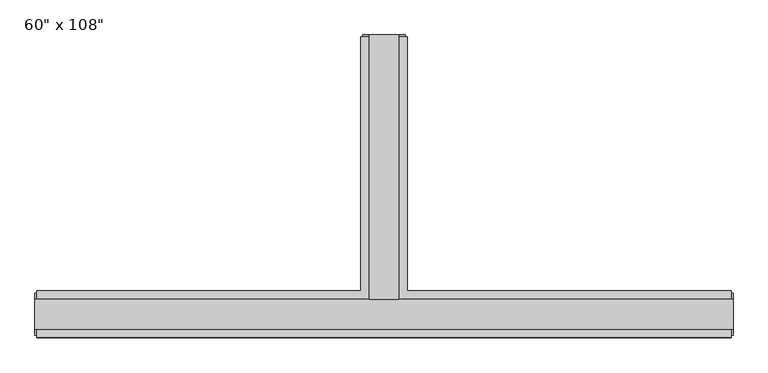
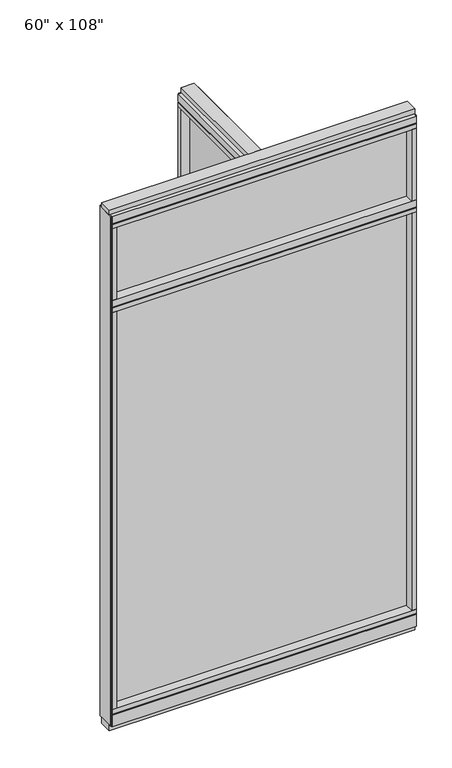
"""IFC4 building model written with IfcOpenShell, lengths in millimetres: furniture geometry."""

from ifc_helpers import new_model, si_unit, frame, origin, origin_with_axes, place, context, project, spatial, polyline, outline, extrude, faceted_brep, source, transform, mapped, element, save


def furniture_3ad097c1(model_context):
    return source(origin(), model_context, "Body", "SolidModel", [
        extrude(outline(polyline([(-65.1165229, 0.5622784), (-65.1165229, 578.9202784), (-54.9565229, 578.9202784), (-54.9565229, 0.5622784), (-65.1165229, 0.5622784)])), frame((0.0, 0.0, 2276.475), z_axis=(0.0, 0.0, 1.0), x_axis=(1.0, 0.0, 0.0)), (0.0, 0.0, 1.0), 355.6),
        extrude(outline(polyline([(675.8014771, -9.5977216), (-795.8745229, -9.5977216), (-795.8745229, 0.5622784), (675.8014771, 0.5622784), (675.8014771, -9.5977216)])), frame((0.0, 0.0, 2276.475), z_axis=(0.0, 0.0, 1.0), x_axis=(1.0, 0.0, 0.0)), (0.0, 0.0, 1.0), 355.6),
        extrude(outline(polyline([(-65.1165229, 0.5622784), (-65.1165229, 578.9202784), (-54.9565229, 578.9202784), (-54.9565229, 0.5622784), (-65.1165229, 0.5622784)])), frame((0.0, 0.0, 120.65), z_axis=(0.0, 0.0, 1.0), x_axis=(1.0, 0.0, 0.0)), (0.0, 0.0, 1.0), 2114.677),
        extrude(outline(polyline([(675.8014771, -9.5977216), (-795.8745229, -9.5977216), (-795.8745229, 0.5622784), (675.8014771, 0.5622784), (675.8014771, -9.5977216)])), frame((0.0, 0.0, 120.523), z_axis=(0.0, 0.0, 1.0), x_axis=(1.0, 0.0, 0.0)), (0.0, 0.0, 1.0), 2114.677),
        extrude(outline(polyline([(-110.8365229, 601.1452784), (-9.2365229, 601.1452784), (-9.2365229, 46.2822784), (698.0264771, 46.2822784), (698.0264771, -55.3177216), (-818.0995229, -55.3177216), (-818.0995229, 46.2822784), (-110.8365229, 46.2822784), (-110.8365229, 601.1452784)])), frame((0.0, 0.0, 2654.3), z_axis=(0.0, 0.0, 1.0), x_axis=(1.0, 0.0, 0.0)), (0.0, 0.0, 1.0), 22.225),
        faceted_brep([(-105.8835229, 46.2822784, 2681.478), (-105.8835229, 46.2822784, 2676.525), (-14.1895229, 46.2822784, 2676.525), (-14.1895229, 46.2822784, 2681.478), (-9.2365229, 601.1452784, 2681.478), (-14.1895229, 601.1452784, 2681.478), (-14.1895229, 601.1452784, 2676.525), (-105.8835229, 601.1452784, 2676.525), (-105.8835229, 601.1452784, 2681.478), (-110.8365229, 601.1452784, 2681.478), (-110.8365229, 601.1452784, 2717.8), (-9.2365229, 601.1452784, 2717.8), (-9.2365229, 46.2822784, 2681.478), (698.0264771, 46.2822784, 2681.478), (698.0264771, 41.3292784, 2681.478), (-818.0995229, 41.3292784, 2681.478), (-818.0995229, 46.2822784, 2681.478), (-110.8365229, 46.2822784, 2681.478), (-110.8365229, 46.2822784, 2717.8), (-818.0995229, 46.2822784, 2717.8), (-818.0995229, -55.3177216, 2717.8), (698.0264771, -55.3177216, 2717.8), (698.0264771, 46.2822784, 2717.8), (-9.2365229, 46.2822784, 2717.8), (-818.0995229, -55.3177216, 2681.478), (-818.0995229, 41.3292784, 2676.525), (-818.0995229, -50.3647216, 2676.525), (-818.0995229, -50.3647216, 2681.478), (698.0264771, -55.3177216, 2681.478), (698.0264771, -50.3647216, 2681.478), (698.0264771, -50.3647216, 2676.525), (698.0264771, 41.3292784, 2676.525)], [[[0, 1, 2, 3]], [[4, 5, 6, 7, 8, 9, 10, 11]], [[5, 4, 12, 13, 14, 15, 16, 17, 9, 8, 0, 3]], [[3, 2, 6, 5]], [[2, 1, 7, 6]], [[1, 0, 8, 7]], [[10, 9, 17, 18]], [[11, 10, 18, 19, 20, 21, 22, 23]], [[4, 11, 23, 12]], [[24, 20, 19, 16, 15, 25, 26, 27]], [[28, 29, 30, 31, 14, 13, 22, 21]], [[24, 27, 29, 28]], [[16, 19, 18, 17]], [[22, 13, 12, 23]], [[20, 24, 28, 21]], [[25, 15, 14, 31]], [[26, 25, 31, 30]], [[27, 26, 30, 29]]]),
        extrude(outline(polyline([(-110.8365229, 601.1452784), (-9.2365229, 601.1452784), (-9.2365229, 46.2822784), (698.0264771, 46.2822784), (698.0264771, -55.3177216), (-818.0995229, -55.3177216), (-818.0995229, 46.2822784), (-110.8365229, 46.2822784), (-110.8365229, 601.1452784)])), frame((0.0, 0.0, 2212.975), z_axis=(0.0, 0.0, 1.0), x_axis=(1.0, 0.0, 0.0)), (0.0, 0.0, 1.0), 22.225),
        faceted_brep([(-105.8835229, 46.2822784, 2240.153), (-105.8835229, 46.2822784, 2235.2), (-14.1895229, 46.2822784, 2235.2), (-14.1895229, 46.2822784, 2240.153), (-9.2365229, 601.1452784, 2240.153), (-14.1895229, 601.1452784, 2240.153), (-14.1895229, 601.1452784, 2235.2), (-105.8835229, 601.1452784, 2235.2), (-105.8835229, 601.1452784, 2240.153), (-110.8365229, 601.1452784, 2240.153), (-110.8365229, 601.1452784, 2276.475), (-9.2365229, 601.1452784, 2276.475), (-9.2365229, 46.2822784, 2240.153), (698.0264771, 46.2822784, 2240.153), (698.0264771, 41.3292784, 2240.153), (-818.0995229, 41.3292784, 2240.153), (-818.0995229, 46.2822784, 2240.153), (-110.8365229, 46.2822784, 2240.153), (-110.8365229, 46.2822784, 2276.475), (-818.0995229, 46.2822784, 2276.475), (-818.0995229, -55.3177216, 2276.475), (698.0264771, -55.3177216, 2276.475), (698.0264771, 46.2822784, 2276.475), (-9.2365229, 46.2822784, 2276.475), (-818.0995229, -55.3177216, 2240.153), (-818.0995229, 41.3292784, 2235.2), (-818.0995229, -50.3647216, 2235.2), (-818.0995229, -50.3647216, 2240.153), (698.0264771, -55.3177216, 2240.153), (698.0264771, -50.3647216, 2240.153), (698.0264771, -50.3647216, 2235.2), (698.0264771, 41.3292784, 2235.2)], [[[0, 1, 2, 3]], [[4, 5, 6, 7, 8, 9, 10, 11]], [[5, 4, 12, 13, 14, 15, 16, 17, 9, 8, 0, 3]], [[3, 2, 6, 5]], [[2, 1, 7, 6]], [[1, 0, 8, 7]], [[10, 9, 17, 18]], [[11, 10, 18, 19, 20, 21, 22, 23]], [[4, 11, 23, 12]], [[24, 20, 19, 16, 15, 25, 26, 27]], [[28, 29, 30, 31, 14, 13, 22, 21]], [[24, 27, 29, 28]], [[27, 26, 30, 29]], [[26, 25, 31, 30]], [[25, 15, 14, 31]], [[16, 19, 18, 17]], [[22, 13, 12, 23]], [[20, 24, 28, 21]]]),
        faceted_brep([(-14.1895229, 46.2822784, 93.345), (-14.1895229, 46.2822784, 98.298), (-105.8835229, 46.2822784, 98.298), (-105.8835229, 46.2822784, 93.345), (-9.2365229, 601.1452784, 93.345), (-9.2365229, 601.1452784, 31.75), (-110.8365229, 601.1452784, 31.75), (-110.8365229, 601.1452784, 93.345), (-105.8835229, 601.1452784, 93.345), (-105.8835229, 601.1452784, 98.298), (-14.1895229, 601.1452784, 98.298), (-14.1895229, 601.1452784, 93.345), (-110.8365229, 46.2822784, 93.345), (-818.0995229, 46.2822784, 93.345), (-818.0995229, 41.3292784, 93.345), (698.0264771, 41.3292784, 93.345), (698.0264771, 46.2822784, 93.345), (-9.2365229, 46.2822784, 93.345), (-110.8365229, 46.2822784, 31.75), (-9.2365229, 46.2822784, 31.75), (698.0264771, 46.2822784, 31.75), (698.0264771, -55.3177216, 31.75), (-818.0995229, -55.3177216, 31.75), (-818.0995229, 46.2822784, 31.75), (698.0264771, -55.3177216, 93.345), (698.0264771, 41.3292784, 98.298), (698.0264771, -50.3647216, 98.298), (698.0264771, -50.3647216, 93.345), (-818.0995229, -55.3177216, 93.345), (-818.0995229, -50.3647216, 93.345), (-818.0995229, -50.3647216, 98.298), (-818.0995229, 41.3292784, 98.298)], [[[0, 1, 2, 3]], [[4, 5, 6, 7, 8, 9, 10, 11]], [[4, 11, 0, 3, 8, 7, 12, 13, 14, 15, 16, 17]], [[1, 0, 11, 10]], [[2, 1, 10, 9]], [[3, 2, 9, 8]], [[7, 6, 18, 12]], [[6, 5, 19, 20, 21, 22, 23, 18]], [[5, 4, 17, 19]], [[24, 21, 20, 16, 15, 25, 26, 27]], [[28, 29, 30, 31, 14, 13, 23, 22]], [[24, 27, 29, 28]], [[16, 20, 19, 17]], [[23, 13, 12, 18]], [[21, 24, 28, 22]], [[25, 15, 14, 31]], [[26, 25, 31, 30]], [[27, 26, 30, 29]]]),
        extrude(outline(polyline([(-110.8365229, 601.1452784), (-9.2365229, 601.1452784), (-9.2365229, 46.2822784), (698.0264771, 46.2822784), (698.0264771, -55.3177216), (-818.0995229, -55.3177216), (-818.0995229, 46.2822784), (-110.8365229, 46.2822784), (-110.8365229, 601.1452784)])), frame((0.0, 0.0, 98.298), z_axis=(0.0, 0.0, 1.0), x_axis=(1.0, 0.0, 0.0)), (0.0, 0.0, 1.0), 22.225),
        extrude(outline(polyline([(-9.2365229, 601.1452784), (-9.2365229, 578.9202784), (-110.8365229, 578.9202784), (-110.8365229, 601.1452784), (-9.2365229, 601.1452784)])), frame((0.0, 0.0, 2276.475), z_axis=(0.0, 0.0, 1.0), x_axis=(1.0, 0.0, 0.0)), (0.0, 0.0, 1.0), 377.825),
        extrude(outline(polyline([(675.8014771, -55.3177216), (675.8014771, 46.2822784), (698.0264771, 46.2822784), (698.0264771, -55.3177216), (675.8014771, -55.3177216)])), frame((0.0, 0.0, 2276.475), z_axis=(0.0, 0.0, 1.0), x_axis=(1.0, 0.0, 0.0)), (0.0, 0.0, 1.0), 377.825),
        extrude(outline(polyline([(-795.8745229, -55.3177216), (-818.0995229, -55.3177216), (-818.0995229, 46.2822784), (-795.8745229, 46.2822784), (-795.8745229, -55.3177216)])), frame((0.0, 0.0, 2276.475), z_axis=(0.0, 0.0, 1.0), x_axis=(1.0, 0.0, 0.0)), (0.0, 0.0, 1.0), 377.825),
        extrude(outline(polyline([(-27.5245229, 27.9942784), (-92.5485229, 27.9942784), (-92.5485229, 605.0822784), (-27.5245229, 605.0822784), (-27.5245229, 27.9942784)])), origin_with_axes(), (0.0, 0.0, 1.0), 31.75),
        extrude(outline(polyline([(-9.2365229, 601.1452784), (-9.2365229, 578.9202784), (-110.8365229, 578.9202784), (-110.8365229, 601.1452784), (-9.2365229, 601.1452784)])), frame((0.0, 0.0, 120.523), z_axis=(0.0, 0.0, 1.0), x_axis=(1.0, 0.0, 0.0)), (0.0, 0.0, 1.0), 2092.452),
        extrude(outline(polyline([(-14.1895229, 605.0822784), (-14.1895229, 601.1452784), (-105.8835229, 601.1452784), (-105.8835229, 605.0822784), (-14.1895229, 605.0822784)])), frame((0.0, 0.0, 31.75), z_axis=(0.0, 0.0, 1.0), x_axis=(1.0, 0.0, 0.0)), (0.0, 0.0, 1.0), 2686.05),
        extrude(outline(polyline([(-27.5245229, 27.9942784), (-92.5485229, 27.9942784), (-92.5485229, 605.0822784), (-27.5245229, 605.0822784), (-27.5245229, 27.9942784)])), frame((0.0, 0.0, 2717.8), z_axis=(0.0, 0.0, 1.0), x_axis=(1.0, 0.0, 0.0)), (0.0, 0.0, 1.0), 25.4),
        extrude(outline(polyline([(701.9634771, 27.9942784), (701.9634771, -37.0297216), (-822.0365229, -37.0297216), (-822.0365229, 27.9942784), (701.9634771, 27.9942784)])), origin_with_axes(), (0.0, 0.0, 1.0), 31.75),
        extrude(outline(polyline([(-822.0365229, -37.0297216), (-822.0365229, 27.9942784), (701.9634771, 27.9942784), (701.9634771, -37.0297216), (-822.0365229, -37.0297216)])), frame((0.0, 0.0, 2717.8), z_axis=(0.0, 0.0, 1.0), x_axis=(1.0, 0.0, 0.0)), (0.0, 0.0, 1.0), 25.4),
        extrude(outline(polyline([(675.8014771, -55.3177216), (675.8014771, 46.2822784), (698.0264771, 46.2822784), (698.0264771, -55.3177216), (675.8014771, -55.3177216)])), frame((0.0, 0.0, 120.523), z_axis=(0.0, 0.0, 1.0), x_axis=(1.0, 0.0, 0.0)), (0.0, 0.0, 1.0), 2092.452),
        extrude(outline(polyline([(-795.8745229, -55.3177216), (-818.0995229, -55.3177216), (-818.0995229, 46.2822784), (-795.8745229, 46.2822784), (-795.8745229, -55.3177216)])), frame((0.0, 0.0, 120.523), z_axis=(0.0, 0.0, 1.0), x_axis=(1.0, 0.0, 0.0)), (0.0, 0.0, 1.0), 2092.452),
        extrude(outline(polyline([(701.9634771, -50.3647216), (698.0264771, -50.3647216), (698.0264771, 41.3292784), (701.9634771, 41.3292784), (701.9634771, -50.3647216)])), frame((0.0, 0.0, 31.75), z_axis=(0.0, 0.0, 1.0), x_axis=(1.0, 0.0, 0.0)), (0.0, 0.0, 1.0), 2686.05),
        extrude(outline(polyline([(-822.0365229, -50.3647216), (-822.0365229, 41.3292784), (-818.0995229, 41.3292784), (-818.0995229, -50.3647216), (-822.0365229, -50.3647216)])), frame((0.0, 0.0, 31.75), z_axis=(0.0, 0.0, 1.0), x_axis=(1.0, 0.0, 0.0)), (0.0, 0.0, 1.0), 2686.05),
    ])


if __name__ == "__main__":
    model = new_model("IFC4")
    model_context = context("Model", 3, world=origin())
    ifc_project = project(units=[si_unit("LENGTHUNIT", "METRE", prefix="MILLI")], contexts=[model_context])
    site = spatial("IfcSite", under=ifc_project)
    building = spatial("IfcBuilding", under=site)
    placement = place(None, origin())
    furniture_shape = furniture_3ad097c1(model_context)
    element("IfcFurniture", 1, ObjectType="60\" x 108\"", at=placement, inside=building, context=model_context, shape_type="MappedRepresentation", body=[
        mapped(furniture_shape, transform((0.0, 0.0, 0.0), x_axis=(1.0, 0.0, 0.0), y_axis=(0.0, 1.0, 0.0), z_axis=(0.0, 0.0, 1.0))),
    ])
    save(model, "model.ifc")
